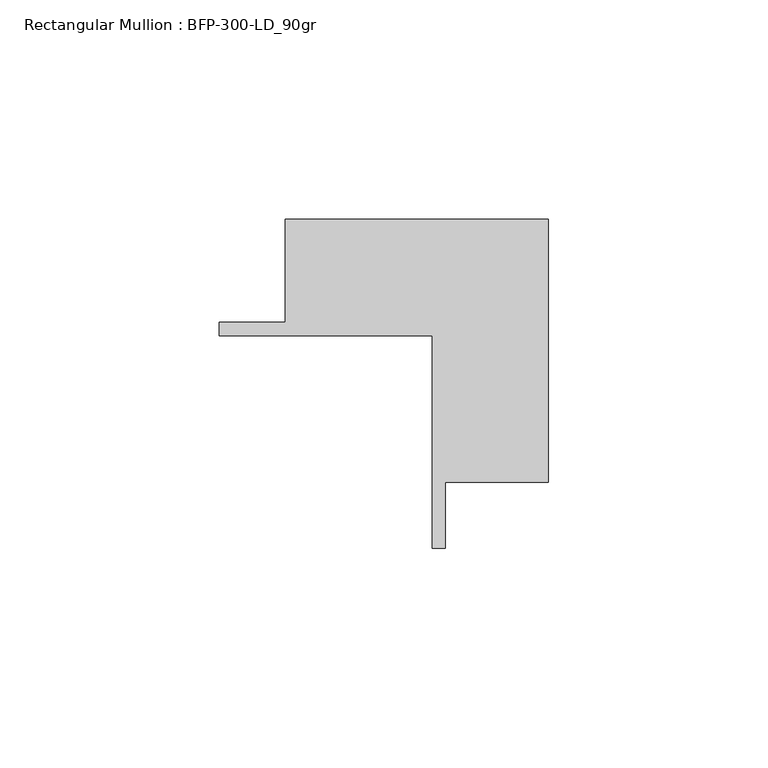
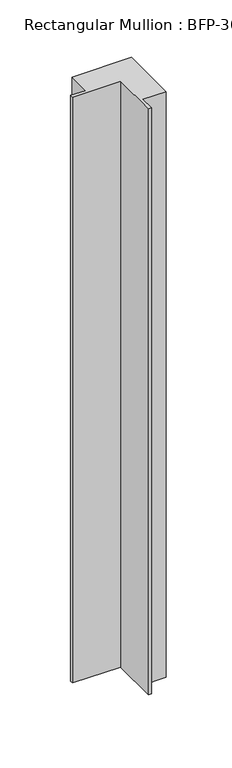
"""IFC4 building model written with IfcOpenShell, lengths in millimetres: member geometry, Rectangular Mullion : BFP-300-LD_90gr."""

from ifc_helpers import new_model, si_unit, frame, origin, place, context, project, spatial, polyline, outline, extrude, source, transform, mapped, element, save


def rectangular_mullion_bfp_300_ld_90gr_b7377c89(model_context):
    return source(origin(), model_context, "Body", "SweptSolid", [
        extrude(outline(polyline([(-39.0, -70.0), (-39.0, -21.5), (-87.5, -21.5), (-87.5, -18.5), (-72.5, -18.5), (-72.5, 5.0), (-12.5, 5.0), (-12.5, -55.0), (-36.0, -55.0), (-36.0, -70.0), (-39.0, -70.0)])), frame((0.0, 0.0, -623.3333334), z_axis=(0.0, 0.0, 1.0), x_axis=(1.0, 0.0, 0.0)), (0.0, 0.0, 1.0), 623.3333334),
    ])


if __name__ == "__main__":
    model = new_model("IFC4")
    model_context = context("Model", 3, world=origin())
    ifc_project = project(units=[si_unit("LENGTHUNIT", "METRE", prefix="MILLI")], contexts=[model_context])
    site = spatial("IfcSite", under=ifc_project)
    building = spatial("IfcBuilding", under=site)
    placement = place(None, origin())
    rectangular_mullion_bfp_300_ld_90gr_shape = rectangular_mullion_bfp_300_ld_90gr_b7377c89(model_context)
    element("IfcMember", 1, ObjectType="Rectangular Mullion : BFP-300-LD_90gr", at=placement, inside=building, context=model_context, shape_type="MappedRepresentation", body=[
        mapped(rectangular_mullion_bfp_300_ld_90gr_shape, transform((0.0, 0.0, 0.0), x_axis=(1.0, 0.0, 0.0), y_axis=(0.0, 1.0, 0.0), z_axis=(0.0, 0.0, 1.0))),
    ])
    save(model, "model.ifc")
